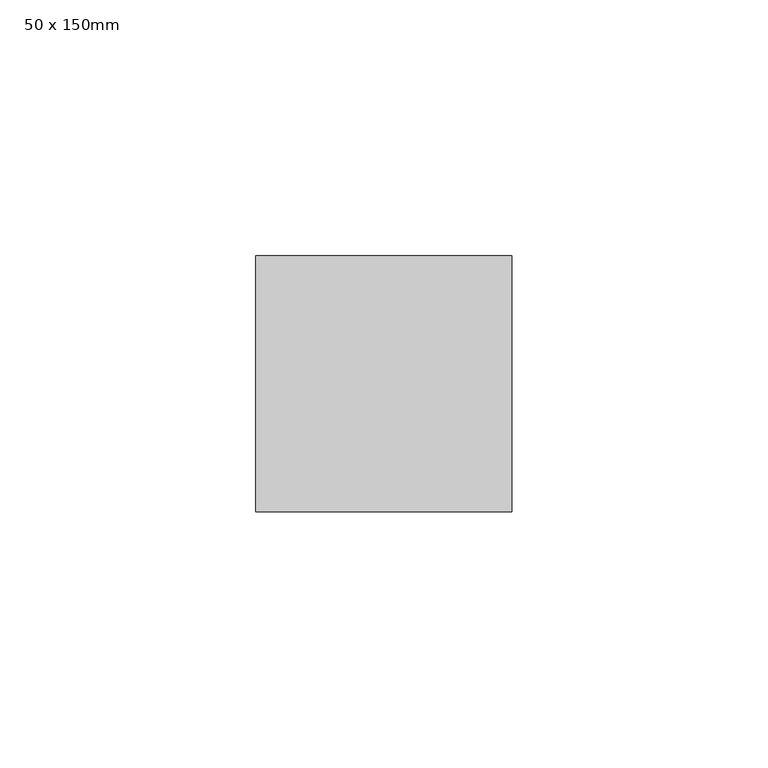
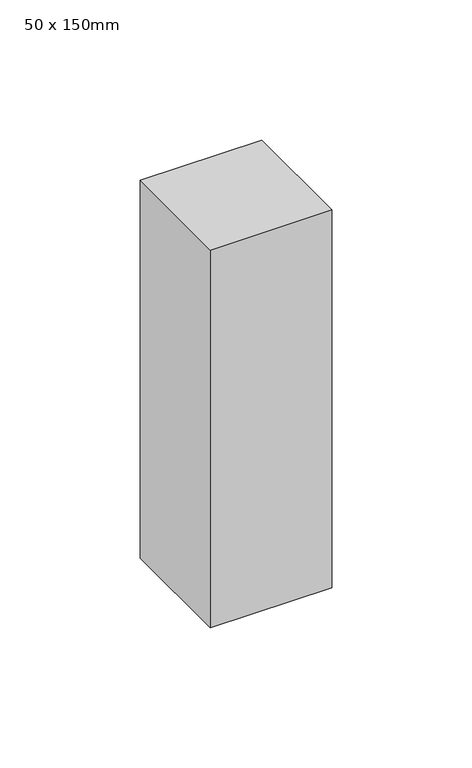
"""IFC4 building model written with IfcOpenShell, lengths in millimetres: member geometry, 50 x 150mm."""

from ifc_helpers import new_model, si_unit, frame, origin, place, context, project, spatial, polyline, outline, extrude, source, transform, mapped, element, save


def member_50_x_150mm_861b7952(model_context):
    return source(origin(), model_context, "Body", "SweptSolid", [
        extrude(outline(polyline([(25.0, 25.0), (25.0, -25.0), (-25.0, -25.0), (-25.0, 25.0), (25.0, 25.0)])), frame((0.0, 0.0, -164.4084662), z_axis=(0.0, 0.0, 1.0), x_axis=(1.0, 0.0, 0.0)), (0.0, 0.0, 1.0), 164.4084662),
    ])


if __name__ == "__main__":
    model = new_model("IFC4")
    model_context = context("Model", 3, world=origin())
    ifc_project = project(units=[si_unit("LENGTHUNIT", "METRE", prefix="MILLI")], contexts=[model_context])
    site = spatial("IfcSite", under=ifc_project)
    building = spatial("IfcBuilding", under=site)
    placement = place(None, origin())
    member_50_x_150mm_shape = member_50_x_150mm_861b7952(model_context)
    element("IfcMember", 1, ObjectType="50 x 150mm", at=placement, inside=building, context=model_context, shape_type="MappedRepresentation", body=[
        mapped(member_50_x_150mm_shape, transform((0.0, 0.0, 0.0), x_axis=(1.0, 0.0, 0.0), y_axis=(0.0, 1.0, 0.0), z_axis=(0.0, 0.0, 1.0))),
    ])
    save(model, "model.ifc")
